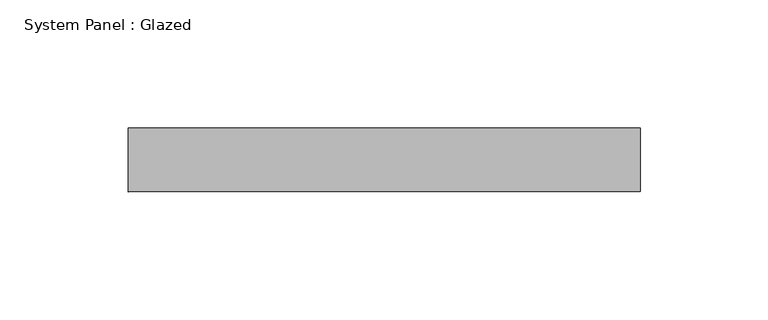
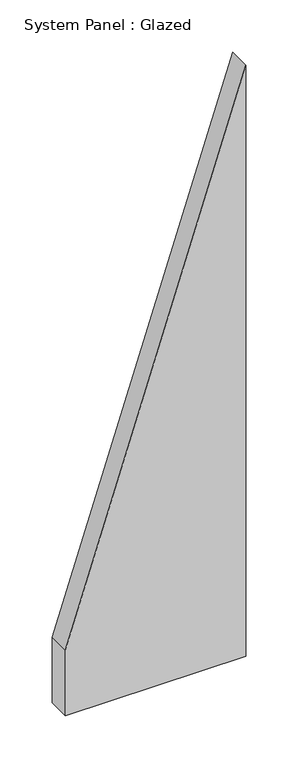
"""IFC4 building model written with IfcOpenShell, lengths in millimetres: plate geometry, System Panel : Glazed."""

from ifc_helpers import new_model, si_unit, frame, origin, place, context, project, spatial, polyline, outline, extrude, source, transform, mapped, element, save


def system_panel_glazed_4c8d0daa(model_context):
    return source(origin(), model_context, "Body", "SweptSolid", [
        extrude(outline(polyline([(0.0, -100.0), (0.0, 100.0), (692.3076932, 100.0), (76.9230779, -100.0), (0.0, -100.0)])), frame((0.0, 24.5, 0.0), z_axis=(0.0, 1.0, 0.0), x_axis=(0.0, 0.0, 1.0)), (0.0, 0.0, 1.0), 25.0),
    ])


if __name__ == "__main__":
    model = new_model("IFC4")
    model_context = context("Model", 3, world=origin())
    ifc_project = project(units=[si_unit("LENGTHUNIT", "METRE", prefix="MILLI")], contexts=[model_context])
    site = spatial("IfcSite", under=ifc_project)
    building = spatial("IfcBuilding", under=site)
    placement = place(None, origin())
    system_panel_glazed_shape = system_panel_glazed_4c8d0daa(model_context)
    element("IfcPlate", 1, ObjectType="System Panel : Glazed", at=placement, inside=building, context=model_context, shape_type="MappedRepresentation", body=[
        mapped(system_panel_glazed_shape, transform((0.0, 0.0, 0.0), x_axis=(1.0, 0.0, 0.0), y_axis=(0.0, 1.0, 0.0), z_axis=(0.0, 0.0, 1.0))),
    ])
    save(model, "model.ifc")
